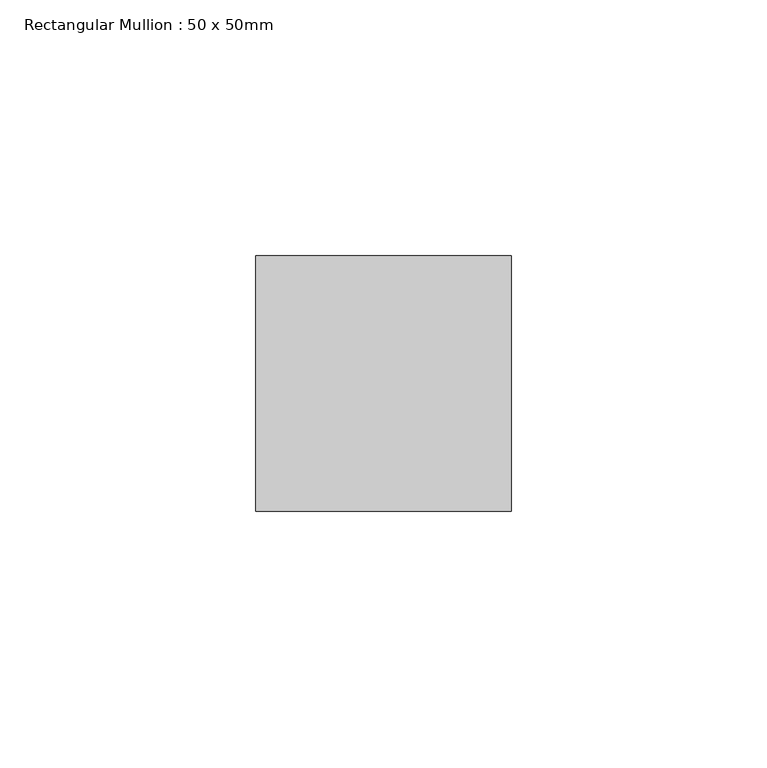
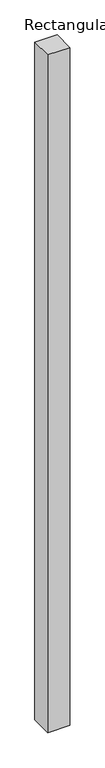
"""IFC4 building model written with IfcOpenShell, lengths in millimetres: member geometry, Rectangular Mullion : 50 x 50mm."""

from ifc_helpers import new_model, si_unit, frame, origin, place, context, project, spatial, polyline, outline, extrude, source, transform, mapped, element, save


def rectangular_mullion_50_x_50mm_27042643(model_context):
    return source(origin(), model_context, "Body", "SweptSolid", [
        extrude(outline(polyline([(0.0, 50.0), (0.0, 0.0), (-50.0, 0.0), (-50.0, 50.0), (0.0, 50.0)])), frame((0.0, 0.0, -1618.1961524), z_axis=(0.0, 0.0, 1.0), x_axis=(1.0, 0.0, 0.0)), (0.0, 0.0, 1.0), 1618.1961524),
    ])


if __name__ == "__main__":
    model = new_model("IFC4")
    model_context = context("Model", 3, world=origin())
    ifc_project = project(units=[si_unit("LENGTHUNIT", "METRE", prefix="MILLI")], contexts=[model_context])
    site = spatial("IfcSite", under=ifc_project)
    building = spatial("IfcBuilding", under=site)
    placement = place(None, origin())
    rectangular_mullion_50_x_50mm_shape = rectangular_mullion_50_x_50mm_27042643(model_context)
    element("IfcMember", 1, ObjectType="Rectangular Mullion : 50 x 50mm", at=placement, inside=building, context=model_context, shape_type="MappedRepresentation", body=[
        mapped(rectangular_mullion_50_x_50mm_shape, transform((0.0, 0.0, 0.0), x_axis=(1.0, 0.0, 0.0), y_axis=(0.0, 1.0, 0.0), z_axis=(0.0, 0.0, 1.0))),
    ])
    save(model, "model.ifc")
